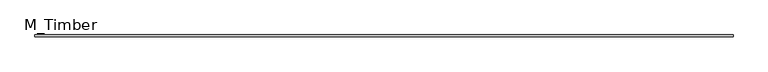
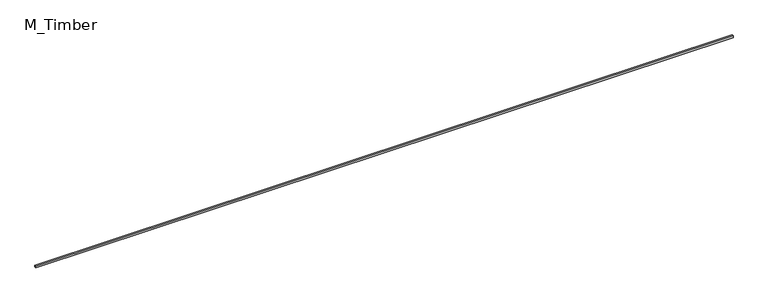
"""IFC4 building model written with IfcOpenShell, lengths in millimetres: beam geometry, M_Timber."""

from ifc_helpers import new_model, si_unit, frame, origin, place, context, project, spatial, polyline, outline, extrude, source, transform, mapped, element, save


def m_timber_c2b6dc6c(model_context):
    return source(origin(), model_context, "Body", "SweptSolid", [
        extrude(outline(polyline([(7988.046785, 20.0), (7988.046785, -20.0), (-7988.046785, -20.0), (-7988.046785, 20.0), (7988.046785, 20.0)])), frame((0.0, 0.0, -20.0), z_axis=(0.0, 0.0, 1.0), x_axis=(1.0, 0.0, 0.0)), (0.0, 0.0, 1.0), 40.0),
    ])


if __name__ == "__main__":
    model = new_model("IFC4")
    model_context = context("Model", 3, world=origin())
    ifc_project = project(units=[si_unit("LENGTHUNIT", "METRE", prefix="MILLI")], contexts=[model_context])
    site = spatial("IfcSite", under=ifc_project)
    building = spatial("IfcBuilding", under=site)
    placement = place(None, origin())
    m_timber_shape = m_timber_c2b6dc6c(model_context)
    element("IfcBeam", 1, ObjectType="M_Timber", at=placement, inside=building, context=model_context, shape_type="MappedRepresentation", body=[
        mapped(m_timber_shape, transform((0.0, 0.0, 0.0), x_axis=(1.0, 0.0, 0.0), y_axis=(0.0, 1.0, 0.0), z_axis=(0.0, 0.0, 1.0))),
    ])
    save(model, "model.ifc")
